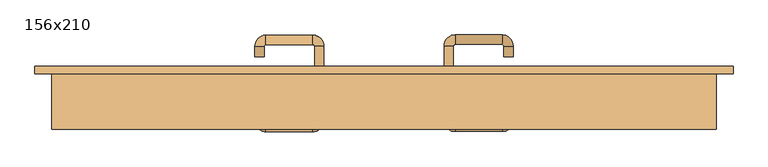
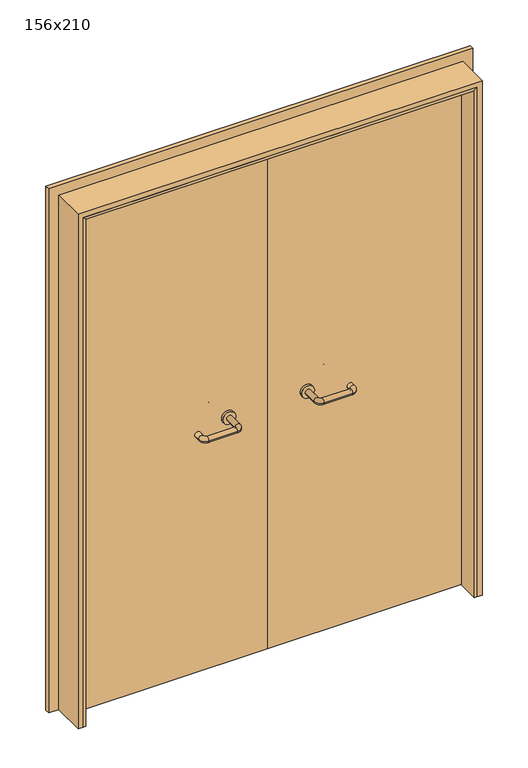
"""IFC4 building model written with IfcOpenShell, lengths in millimetres: door geometry, 156x210."""

from ifc_helpers import new_model, si_unit, point, frame, frame_2d, origin, place, context, project, spatial, polyline, circle_curve, ellipse_curve, trimmed, segment, composite_curve, outline, extrude, faceted_brep, source, transform, mapped, element, save
from ifc_brep_helpers import plane_surface, cylinder_surface, revolved_surface, advanced_brep


def door_156x210_3d4cb755(model_context):
    return source(origin(), model_context, "Body", "SolidModel", [
        faceted_brep([(-750.0, 118.0, 0.0), (-750.0, 35.0, 0.0), (-760.0, 35.0, 0.0), (-760.0, 118.0, 0.0), (-750.0, 118.0, 2070.0), (-750.0, 35.0, 2070.0), (-760.0, 35.0, 2080.0), (-760.0, 118.0, 2080.0), (750.0, 118.0, 0.0), (760.0, 118.0, 0.0), (760.0, 35.0, 0.0), (750.0, 35.0, 0.0), (750.0, 118.0, 2070.0), (760.0, 118.0, 2080.0), (760.0, 35.0, 2080.0), (750.0, 35.0, 2070.0)], [[[0, 1, 2, 3]], [[1, 0, 4, 5]], [[2, 1, 5, 6]], [[3, 2, 6, 7]], [[0, 3, 7, 4]], [[8, 9, 10, 11]], [[12, 13, 9, 8]], [[13, 14, 10, 9]], [[14, 15, 11, 10]], [[15, 12, 8, 11]], [[5, 4, 12, 15]], [[6, 5, 15, 14]], [[7, 6, 14, 13]], [[4, 7, 13, 12]]]),
        extrude(outline(polyline([(2139.0, 819.0), (2139.0, -819.0), (0.0, -819.0), (0.0, -775.0), (2095.0, -775.0), (2095.0, 775.0), (0.0, 775.0), (0.0, 819.0), (2139.0, 819.0)])), frame((0.0, 165.0, 0.0), z_axis=(0.0, 1.0, 0.0), x_axis=(0.0, 0.0, 1.0)), (0.0, 0.0, 1.0), 18.0),
        extrude(outline(polyline([(2100.0, -780.0), (0.0, -780.0), (0.0, -760.0), (2080.0, -760.0), (2080.0, 760.0), (0.0, 760.0), (0.0, 780.0), (2100.0, 780.0), (2100.0, -780.0)])), frame((0.0, 35.0, 0.0), z_axis=(0.0, 1.0, 0.0), x_axis=(0.0, 0.0, 1.0)), (0.0, 0.0, 1.0), 130.0),
        advanced_brep(
        [(140.99898, 111.0, 1003.0), (162.99898, 111.0, 1003.0), (140.99898, 55.6474631, 1003.0), (162.99898, 55.6474631, 1003.0), (166.99898, 51.6474631, 1003.0), (166.99898, 29.6474631, 1003.0), (276.99898, 29.6474631, 1003.0), (276.99898, 51.6474631, 1003.0), (280.99898, 55.6474631, 1003.0), (302.99898, 55.6474631, 1003.0), (302.99898, 73.0, 1003.0), (280.99898, 73.0, 1003.0)],
        [
            (0, 1, circle_curve(frame((151.99898, 111.0, 1003.0), z_axis=(0.0, 1.0, 0.0), x_axis=(1.0, 0.0, 0.0)), 11.0)),
            (1, 0, circle_curve(frame((151.99898, 111.0, 1003.0), z_axis=(0.0, 1.0, 0.0), x_axis=(1.0, 0.0, 0.0)), 11.0)),
            (0, 2),
            (2, 3, circle_curve(frame((151.99898, 55.6474631, 1003.0), z_axis=(0.0, 1.0, 0.0), x_axis=(1.0, 0.0, 0.0)), 11.0)),
            (3, 1),
            (3, 2, circle_curve(frame((151.99898, 55.6474631, 1003.0), z_axis=(0.0, 1.0, 0.0), x_axis=(1.0, 0.0, 0.0)), 11.0)),
            (4, 3, circle_curve(frame((166.99898, 55.6474631, 1003.0), z_axis=(0.0, 0.0, -1.0), x_axis=(-1.0, 0.0, 0.0)), 4.0)),
            (2, 5, circle_curve(frame((166.99898, 55.6474631, 1003.0), z_axis=(0.0, 0.0, 1.0), x_axis=(-1.0, 0.0, 0.0)), 26.0)),
            (5, 4, circle_curve(frame((166.99898, 40.6474631, 1003.0), z_axis=(-1.0, 0.0, 0.0), x_axis=(0.0, 1.0, 0.0)), 11.0)),
            (4, 5, circle_curve(frame((166.99898, 40.6474631, 1003.0), z_axis=(-1.0, 0.0, 0.0), x_axis=(0.0, 1.0, 0.0)), 11.0)),
            (5, 6),
            (6, 7, circle_curve(frame((276.99898, 40.6474631, 1003.0), z_axis=(-1.0, 0.0, 0.0), x_axis=(0.0, 1.0, 0.0)), 11.0)),
            (7, 4),
            (7, 6, circle_curve(frame((276.99898, 40.6474631, 1003.0), z_axis=(-1.0, 0.0, 0.0), x_axis=(0.0, 1.0, 0.0)), 11.0)),
            (8, 7, circle_curve(frame((276.99898, 55.6474631, 1003.0), z_axis=(0.0, 0.0, -1.0), x_axis=(0.0, -1.0, 0.0)), 4.0)),
            (6, 9, circle_curve(frame((276.99898, 55.6474631, 1003.0), z_axis=(0.0, 0.0, 1.0), x_axis=(0.0, -1.0, 0.0)), 26.0)),
            (9, 8, circle_curve(frame((291.99898, 55.6474631, 1003.0), z_axis=(0.0, -1.0, 0.0), x_axis=(-1.0, 0.0, 0.0)), 11.0)),
            (8, 9, circle_curve(frame((291.99898, 55.6474631, 1003.0), z_axis=(0.0, -1.0, 0.0), x_axis=(-1.0, 0.0, 0.0)), 11.0)),
            (10, 11, circle_curve(frame((291.99898, 73.0, 1003.0), z_axis=(0.0, 1.0, 0.0), x_axis=(-1.0, 0.0, 0.0)), 11.0)),
            (11, 10, circle_curve(frame((291.99898, 73.0, 1003.0), z_axis=(0.0, 1.0, 0.0), x_axis=(-1.0, 0.0, 0.0)), 11.0)),
            (9, 10),
            (11, 8),
        ],
        [
            plane_surface(frame((140.99898, 111.0, 1003.0), z_axis=(0.0, 1.0, 0.0), x_axis=(0.0, 0.0, -1.0))),
            cylinder_surface(frame((151.99898, 111.0, 1003.0), z_axis=(0.0, 1.0, 0.0), x_axis=(1.0, 0.0, 0.0)), 11.0),
            revolved_surface(trimmed(ellipse_curve(frame((151.99898, 55.6474631, 1003.0), z_axis=(0.0, 1.0, 0.0), x_axis=(1.0, 0.0, 0.0)), 11.0, 11.0), [point((140.99898, 55.6474631, 1003.0))], [point((162.99898, 55.6474631, 1003.0))], True, "CARTESIAN"), (166.99898, 55.6474631, 1003.0), (0.0, 0.0, 1.0)),
            revolved_surface(trimmed(ellipse_curve(frame((151.99898, 55.6474631, 1003.0), z_axis=(0.0, 1.0, 0.0), x_axis=(1.0, 0.0, 0.0)), 11.0, 11.0), [point((162.99898, 55.6474631, 1003.0))], [point((140.99898, 55.6474631, 1003.0))], True, "CARTESIAN"), (166.99898, 55.6474631, 1003.0), (0.0, 0.0, 1.0)),
            cylinder_surface(frame((166.99898, 40.6474631, 1003.0), z_axis=(-1.0, 0.0, 0.0), x_axis=(0.0, 1.0, 0.0)), 11.0),
            revolved_surface(trimmed(ellipse_curve(frame((276.99898, 40.6474631, 1003.0), z_axis=(-1.0, 0.0, 0.0), x_axis=(0.0, 1.0, 0.0)), 11.0, 11.0), [point((276.99898, 29.6474631, 1003.0))], [point((276.99898, 51.6474631, 1003.0))], True, "CARTESIAN"), (276.99898, 55.6474631, 1003.0), (0.0, 0.0, 1.0)),
            revolved_surface(trimmed(ellipse_curve(frame((276.99898, 40.6474631, 1003.0), z_axis=(-1.0, 0.0, 0.0), x_axis=(0.0, 1.0, 0.0)), 11.0, 11.0), [point((276.99898, 51.6474631, 1003.0))], [point((276.99898, 29.6474631, 1003.0))], True, "CARTESIAN"), (276.99898, 55.6474631, 1003.0), (0.0, 0.0, 1.0)),
            plane_surface(frame((280.99898, 73.0, 1003.0), z_axis=(0.0, 1.0, 0.0), x_axis=(0.0, 0.0, 1.0))),
            cylinder_surface(frame((291.99898, 55.6474631, 1003.0), z_axis=(0.0, -1.0, 0.0), x_axis=(-1.0, 0.0, 0.0)), 11.0),
        ],
        [
            (0, [[1, 2]]),
            (1, [[-1, 3, 4, 5]]),
            (1, [[-2, -5, 6, -3]]),
            (2, [[7, -4, 8, 9]]),
            (3, [[-8, -6, -7, 10]]),
            (4, [[-9, 11, 12, 13]]),
            (4, [[-10, -13, 14, -11]]),
            (5, [[15, -12, 16, 17]]),
            (6, [[-16, -14, -15, 18]]),
            (7, [[19, 20]]),
            (8, [[-17, 21, -20, 22]]),
            (8, [[-18, -22, -19, -21]]),
        ],
    ),
        extrude(outline(composite_curve([segment(trimmed(circle_curve(frame_2d((1003.0, 151.99898)), 25.0), [point((1003.0, 126.99898))], [point((1003.0, 176.99898))], False, "CARTESIAN"), True, "CONTINUOUS"), segment(trimmed(circle_curve(frame_2d((1003.0, 151.99898)), 25.0), [point((1003.0, 176.99898))], [point((1003.0, 126.99898))], False, "CARTESIAN"), True, "CONTINUOUS")], self_intersect=False)), frame((0.0, 111.0, 0.0), z_axis=(0.0, 1.0, 0.0), x_axis=(0.0, 0.0, 1.0)), (0.0, 0.0, 1.0), 10.0),
        advanced_brep(
        [(162.99898, 175.0, 1003.0), (140.99898, 175.0, 1003.0), (162.99898, 230.0, 1003.0), (140.99898, 230.0, 1003.0), (166.99898, 256.0, 1003.0), (166.99898, 234.0, 1003.0), (276.99898, 234.0, 1003.0), (276.99898, 256.0, 1003.0), (302.99898, 230.0, 1003.0), (280.99898, 230.0, 1003.0), (280.99898, 205.0, 1003.0), (302.99898, 205.0, 1003.0)],
        [
            (0, 1, circle_curve(frame((151.99898, 175.0, 1003.0), z_axis=(0.0, -1.0, 0.0), x_axis=(-1.0, 0.0, 0.0)), 11.0)),
            (1, 0, circle_curve(frame((151.99898, 175.0, 1003.0), z_axis=(0.0, -1.0, 0.0), x_axis=(-1.0, 0.0, 0.0)), 11.0)),
            (0, 2),
            (2, 3, circle_curve(frame((151.99898, 230.0, 1003.0), z_axis=(0.0, -1.0, 0.0), x_axis=(-1.0, 0.0, 0.0)), 11.0)),
            (3, 1),
            (3, 2, circle_curve(frame((151.99898, 230.0, 1003.0), z_axis=(0.0, -1.0, 0.0), x_axis=(-1.0, 0.0, 0.0)), 11.0)),
            (4, 3, circle_curve(frame((166.99898, 230.0, 1003.0), z_axis=(0.0, 0.0, 1.0), x_axis=(-1.0, 0.0, 0.0)), 26.0)),
            (2, 5, circle_curve(frame((166.99898, 230.0, 1003.0), z_axis=(0.0, 0.0, -1.0), x_axis=(-1.0, 0.0, 0.0)), 4.0)),
            (5, 4, circle_curve(frame((166.99898, 245.0, 1003.0), z_axis=(-1.0, 0.0, 0.0), x_axis=(0.0, 1.0, 0.0)), 11.0)),
            (4, 5, circle_curve(frame((166.99898, 245.0, 1003.0), z_axis=(-1.0, 0.0, 0.0), x_axis=(0.0, 1.0, 0.0)), 11.0)),
            (5, 6),
            (6, 7, circle_curve(frame((276.99898, 245.0, 1003.0), z_axis=(-1.0, 0.0, 0.0), x_axis=(0.0, 1.0, 0.0)), 11.0)),
            (7, 4),
            (7, 6, circle_curve(frame((276.99898, 245.0, 1003.0), z_axis=(-1.0, 0.0, 0.0), x_axis=(0.0, 1.0, 0.0)), 11.0)),
            (8, 7, circle_curve(frame((276.99898, 230.0, 1003.0), z_axis=(0.0, 0.0, 1.0), x_axis=(0.0, 1.0, 0.0)), 26.0)),
            (6, 9, circle_curve(frame((276.99898, 230.0, 1003.0), z_axis=(0.0, 0.0, -1.0), x_axis=(0.0, 1.0, 0.0)), 4.0)),
            (9, 8, circle_curve(frame((291.99898, 230.0, 1003.0), z_axis=(0.0, 1.0, 0.0), x_axis=(1.0, 0.0, 0.0)), 11.0)),
            (8, 9, circle_curve(frame((291.99898, 230.0, 1003.0), z_axis=(0.0, 1.0, 0.0), x_axis=(1.0, 0.0, 0.0)), 11.0)),
            (10, 11, circle_curve(frame((291.99898, 205.0, 1003.0), z_axis=(0.0, -1.0, 0.0), x_axis=(1.0, 0.0, 0.0)), 11.0)),
            (11, 10, circle_curve(frame((291.99898, 205.0, 1003.0), z_axis=(0.0, -1.0, 0.0), x_axis=(1.0, 0.0, 0.0)), 11.0)),
            (9, 10),
            (11, 8),
        ],
        [
            plane_surface(frame((140.99898, 175.0, 1003.0), z_axis=(0.0, -1.0, 0.0), x_axis=(0.0, 0.0, 1.0))),
            cylinder_surface(frame((151.99898, 175.0, 1003.0), z_axis=(0.0, -1.0, 0.0), x_axis=(-1.0, 0.0, 0.0)), 11.0),
            revolved_surface(trimmed(ellipse_curve(frame((151.99898, 230.0, 1003.0), z_axis=(0.0, -1.0, 0.0), x_axis=(-1.0, 0.0, 0.0)), 11.0, 11.0), [point((162.99898, 230.0, 1003.0))], [point((140.99898, 230.0, 1003.0))], True, "CARTESIAN"), (166.99898, 230.0, 1003.0), (0.0, 0.0, -1.0)),
            revolved_surface(trimmed(ellipse_curve(frame((151.99898, 230.0, 1003.0), z_axis=(0.0, -1.0, 0.0), x_axis=(-1.0, 0.0, 0.0)), 11.0, 11.0), [point((140.99898, 230.0, 1003.0))], [point((162.99898, 230.0, 1003.0))], True, "CARTESIAN"), (166.99898, 230.0, 1003.0), (0.0, 0.0, -1.0)),
            cylinder_surface(frame((166.99898, 245.0, 1003.0), z_axis=(-1.0, 0.0, 0.0), x_axis=(0.0, 1.0, 0.0)), 11.0),
            revolved_surface(trimmed(ellipse_curve(frame((276.99898, 245.0, 1003.0), z_axis=(-1.0, 0.0, 0.0), x_axis=(0.0, 1.0, 0.0)), 11.0, 11.0), [point((276.99898, 234.0, 1003.0))], [point((276.99898, 256.0, 1003.0))], True, "CARTESIAN"), (276.99898, 230.0, 1003.0), (0.0, 0.0, -1.0)),
            revolved_surface(trimmed(ellipse_curve(frame((276.99898, 245.0, 1003.0), z_axis=(-1.0, 0.0, 0.0), x_axis=(0.0, 1.0, 0.0)), 11.0, 11.0), [point((276.99898, 256.0, 1003.0))], [point((276.99898, 234.0, 1003.0))], True, "CARTESIAN"), (276.99898, 230.0, 1003.0), (0.0, 0.0, -1.0)),
            plane_surface(frame((280.99898, 205.0, 1003.0), z_axis=(0.0, -1.0, 0.0), x_axis=(0.0, 0.0, -1.0))),
            cylinder_surface(frame((291.99898, 230.0, 1003.0), z_axis=(0.0, 1.0, 0.0), x_axis=(1.0, 0.0, 0.0)), 11.0),
        ],
        [
            (0, [[1, 2]]),
            (1, [[-1, 3, 4, 5]]),
            (1, [[-2, -5, 6, -3]]),
            (2, [[7, -4, 8, 9]]),
            (3, [[-8, -6, -7, 10]]),
            (4, [[-9, 11, 12, 13]]),
            (4, [[-10, -13, 14, -11]]),
            (5, [[15, -12, 16, 17]]),
            (6, [[-16, -14, -15, 18]]),
            (7, [[19, 20]]),
            (8, [[-17, 21, -20, 22]]),
            (8, [[-18, -22, -19, -21]]),
        ],
    ),
        extrude(outline(composite_curve([segment(trimmed(circle_curve(frame_2d((1003.0, 151.99898)), 25.0), [point((1003.0, 176.99898))], [point((1003.0, 126.99898))], False, "CARTESIAN"), True, "CONTINUOUS"), segment(trimmed(circle_curve(frame_2d((1003.0, 151.99898)), 25.0), [point((1003.0, 126.99898))], [point((1003.0, 176.99898))], False, "CARTESIAN"), True, "CONTINUOUS")], self_intersect=False)), frame((0.0, 165.0, 0.0), z_axis=(0.0, 1.0, 0.0), x_axis=(0.0, 0.0, 1.0)), (0.0, 0.0, 1.0), 10.0),
        advanced_brep(
        [(-162.99898, 110.6886121, 1003.0), (-140.99898, 110.6886121, 1003.0), (-162.99898, 55.2779553, 1003.0), (-140.99898, 55.2779553, 1003.0), (-166.99898, 29.2779553, 1003.0), (-166.99898, 51.2779553, 1003.0), (-276.99898, 51.2779553, 1003.0), (-276.99898, 29.2779553, 1003.0), (-302.99898, 55.2779553, 1003.0), (-280.99898, 55.2779553, 1003.0), (-280.99898, 80.2779553, 1003.0), (-302.99898, 80.2779553, 1003.0)],
        [
            (0, 1, circle_curve(frame((-151.99898, 110.6886121, 1003.0), z_axis=(0.0, 1.0, 0.0), x_axis=(1.0, 0.0, 0.0)), 11.0)),
            (1, 0, circle_curve(frame((-151.99898, 110.6886121, 1003.0), z_axis=(0.0, 1.0, 0.0), x_axis=(1.0, 0.0, 0.0)), 11.0)),
            (0, 2),
            (2, 3, circle_curve(frame((-151.99898, 55.2779553, 1003.0), z_axis=(0.0, 1.0, 0.0), x_axis=(1.0, 0.0, 0.0)), 11.0)),
            (3, 1),
            (3, 2, circle_curve(frame((-151.99898, 55.2779553, 1003.0), z_axis=(0.0, 1.0, 0.0), x_axis=(1.0, 0.0, 0.0)), 11.0)),
            (4, 3, circle_curve(frame((-166.99898, 55.2779553, 1003.0), z_axis=(0.0, 0.0, 1.0), x_axis=(1.0, 0.0, 0.0)), 26.0)),
            (2, 5, circle_curve(frame((-166.99898, 55.2779553, 1003.0), z_axis=(0.0, 0.0, -1.0), x_axis=(1.0, 0.0, 0.0)), 4.0)),
            (5, 4, circle_curve(frame((-166.99898, 40.2779553, 1003.0), z_axis=(1.0, 0.0, 0.0), x_axis=(0.0, -1.0, 0.0)), 11.0)),
            (4, 5, circle_curve(frame((-166.99898, 40.2779553, 1003.0), z_axis=(1.0, 0.0, 0.0), x_axis=(0.0, -1.0, 0.0)), 11.0)),
            (5, 6),
            (6, 7, circle_curve(frame((-276.99898, 40.2779553, 1003.0), z_axis=(1.0, 0.0, 0.0), x_axis=(0.0, -1.0, 0.0)), 11.0)),
            (7, 4),
            (7, 6, circle_curve(frame((-276.99898, 40.2779553, 1003.0), z_axis=(1.0, 0.0, 0.0), x_axis=(0.0, -1.0, 0.0)), 11.0)),
            (8, 7, circle_curve(frame((-276.99898, 55.2779553, 1003.0), z_axis=(0.0, 0.0, 1.0), x_axis=(0.0, -1.0, 0.0)), 26.0)),
            (6, 9, circle_curve(frame((-276.99898, 55.2779553, 1003.0), z_axis=(0.0, 0.0, -1.0), x_axis=(0.0, -1.0, 0.0)), 4.0)),
            (9, 8, circle_curve(frame((-291.99898, 55.2779553, 1003.0), z_axis=(0.0, -1.0, 0.0), x_axis=(-1.0, 0.0, 0.0)), 11.0)),
            (8, 9, circle_curve(frame((-291.99898, 55.2779553, 1003.0), z_axis=(0.0, -1.0, 0.0), x_axis=(-1.0, 0.0, 0.0)), 11.0)),
            (10, 11, circle_curve(frame((-291.99898, 80.2779553, 1003.0), z_axis=(0.0, 1.0, 0.0), x_axis=(-1.0, 0.0, 0.0)), 11.0)),
            (11, 10, circle_curve(frame((-291.99898, 80.2779553, 1003.0), z_axis=(0.0, 1.0, 0.0), x_axis=(-1.0, 0.0, 0.0)), 11.0)),
            (9, 10),
            (11, 8),
        ],
        [
            plane_surface(frame((-162.99898, 110.6886121, 1003.0), z_axis=(0.0, 1.0, 0.0), x_axis=(0.0, 0.0, -1.0))),
            cylinder_surface(frame((-151.99898, 110.6886121, 1003.0), z_axis=(0.0, 1.0, 0.0), x_axis=(1.0, 0.0, 0.0)), 11.0),
            revolved_surface(trimmed(ellipse_curve(frame((-151.99898, 55.2779553, 1003.0), z_axis=(0.0, 1.0, 0.0), x_axis=(1.0, 0.0, 0.0)), 11.0, 11.0), [point((-162.99898, 55.2779553, 1003.0))], [point((-140.99898, 55.2779553, 1003.0))], True, "CARTESIAN"), (-166.99898, 55.2779553, 1003.0), (0.0, 0.0, -1.0)),
            revolved_surface(trimmed(ellipse_curve(frame((-151.99898, 55.2779553, 1003.0), z_axis=(0.0, 1.0, 0.0), x_axis=(1.0, 0.0, 0.0)), 11.0, 11.0), [point((-140.99898, 55.2779553, 1003.0))], [point((-162.99898, 55.2779553, 1003.0))], True, "CARTESIAN"), (-166.99898, 55.2779553, 1003.0), (0.0, 0.0, -1.0)),
            cylinder_surface(frame((-166.99898, 40.2779553, 1003.0), z_axis=(1.0, 0.0, 0.0), x_axis=(0.0, -1.0, 0.0)), 11.0),
            revolved_surface(trimmed(ellipse_curve(frame((-276.99898, 40.2779553, 1003.0), z_axis=(1.0, 0.0, 0.0), x_axis=(0.0, -1.0, 0.0)), 11.0, 11.0), [point((-276.99898, 51.2779553, 1003.0))], [point((-276.99898, 29.2779553, 1003.0))], True, "CARTESIAN"), (-276.99898, 55.2779553, 1003.0), (0.0, 0.0, -1.0)),
            revolved_surface(trimmed(ellipse_curve(frame((-276.99898, 40.2779553, 1003.0), z_axis=(1.0, 0.0, 0.0), x_axis=(0.0, -1.0, 0.0)), 11.0, 11.0), [point((-276.99898, 29.2779553, 1003.0))], [point((-276.99898, 51.2779553, 1003.0))], True, "CARTESIAN"), (-276.99898, 55.2779553, 1003.0), (0.0, 0.0, -1.0)),
            plane_surface(frame((-302.99898, 80.2779553, 1003.0), z_axis=(0.0, 1.0, 0.0), x_axis=(0.0, 0.0, 1.0))),
            cylinder_surface(frame((-291.99898, 55.2779553, 1003.0), z_axis=(0.0, -1.0, 0.0), x_axis=(-1.0, 0.0, 0.0)), 11.0),
        ],
        [
            (0, [[1, 2]]),
            (1, [[-1, 3, 4, 5]]),
            (1, [[-2, -5, 6, -3]]),
            (2, [[7, -4, 8, 9]]),
            (3, [[-8, -6, -7, 10]]),
            (4, [[-9, 11, 12, 13]]),
            (4, [[-10, -13, 14, -11]]),
            (5, [[15, -12, 16, 17]]),
            (6, [[-16, -14, -15, 18]]),
            (7, [[19, 20]]),
            (8, [[-17, 21, -20, 22]]),
            (8, [[-18, -22, -19, -21]]),
        ],
    ),
        extrude(outline(composite_curve([segment(trimmed(circle_curve(frame_2d((1003.0, -151.99898)), 25.0), [point((1003.0, -176.99898))], [point((1003.0, -126.99898))], False, "CARTESIAN"), True, "CONTINUOUS"), segment(trimmed(circle_curve(frame_2d((1003.0, -151.99898)), 25.0), [point((1003.0, -126.99898))], [point((1003.0, -176.99898))], False, "CARTESIAN"), True, "CONTINUOUS")], self_intersect=False)), frame((0.0, 110.6886121, 0.0), z_axis=(0.0, 1.0, 0.0), x_axis=(0.0, 0.0, 1.0)), (0.0, 0.0, 1.0), 10.3113879),
        advanced_brep(
        [(-140.99898, 174.5143417, 1003.0), (-162.99898, 174.5143417, 1003.0), (-140.99898, 229.6104656, 1003.0), (-162.99898, 229.6104656, 1003.0), (-166.99898, 233.6104656, 1003.0), (-166.99898, 255.6104656, 1003.0), (-276.99898, 255.6104656, 1003.0), (-276.99898, 233.6104656, 1003.0), (-280.99898, 229.6104656, 1003.0), (-302.99898, 229.6104656, 1003.0), (-302.99898, 204.6104656, 1003.0), (-280.99898, 204.6104656, 1003.0)],
        [
            (0, 1, circle_curve(frame((-151.99898, 174.5143417, 1003.0), z_axis=(0.0, -1.0, 0.0), x_axis=(-1.0, 0.0, 0.0)), 11.0)),
            (1, 0, circle_curve(frame((-151.99898, 174.5143417, 1003.0), z_axis=(0.0, -1.0, 0.0), x_axis=(-1.0, 0.0, 0.0)), 11.0)),
            (0, 2),
            (2, 3, circle_curve(frame((-151.99898, 229.6104656, 1003.0), z_axis=(0.0, -1.0, 0.0), x_axis=(-1.0, 0.0, 0.0)), 11.0)),
            (3, 1),
            (3, 2, circle_curve(frame((-151.99898, 229.6104656, 1003.0), z_axis=(0.0, -1.0, 0.0), x_axis=(-1.0, 0.0, 0.0)), 11.0)),
            (4, 3, circle_curve(frame((-166.99898, 229.6104656, 1003.0), z_axis=(0.0, 0.0, -1.0), x_axis=(1.0, 0.0, 0.0)), 4.0)),
            (2, 5, circle_curve(frame((-166.99898, 229.6104656, 1003.0), z_axis=(0.0, 0.0, 1.0), x_axis=(1.0, 0.0, 0.0)), 26.0)),
            (5, 4, circle_curve(frame((-166.99898, 244.6104656, 1003.0), z_axis=(1.0, 0.0, 0.0), x_axis=(0.0, -1.0, 0.0)), 11.0)),
            (4, 5, circle_curve(frame((-166.99898, 244.6104656, 1003.0), z_axis=(1.0, 0.0, 0.0), x_axis=(0.0, -1.0, 0.0)), 11.0)),
            (5, 6),
            (6, 7, circle_curve(frame((-276.99898, 244.6104656, 1003.0), z_axis=(1.0, 0.0, 0.0), x_axis=(0.0, -1.0, 0.0)), 11.0)),
            (7, 4),
            (7, 6, circle_curve(frame((-276.99898, 244.6104656, 1003.0), z_axis=(1.0, 0.0, 0.0), x_axis=(0.0, -1.0, 0.0)), 11.0)),
            (8, 7, circle_curve(frame((-276.99898, 229.6104656, 1003.0), z_axis=(0.0, 0.0, -1.0), x_axis=(0.0, 1.0, 0.0)), 4.0)),
            (6, 9, circle_curve(frame((-276.99898, 229.6104656, 1003.0), z_axis=(0.0, 0.0, 1.0), x_axis=(0.0, 1.0, 0.0)), 26.0)),
            (9, 8, circle_curve(frame((-291.99898, 229.6104656, 1003.0), z_axis=(0.0, 1.0, 0.0), x_axis=(1.0, 0.0, 0.0)), 11.0)),
            (8, 9, circle_curve(frame((-291.99898, 229.6104656, 1003.0), z_axis=(0.0, 1.0, 0.0), x_axis=(1.0, 0.0, 0.0)), 11.0)),
            (10, 11, circle_curve(frame((-291.99898, 204.6104656, 1003.0), z_axis=(0.0, -1.0, 0.0), x_axis=(1.0, 0.0, 0.0)), 11.0)),
            (11, 10, circle_curve(frame((-291.99898, 204.6104656, 1003.0), z_axis=(0.0, -1.0, 0.0), x_axis=(1.0, 0.0, 0.0)), 11.0)),
            (9, 10),
            (11, 8),
        ],
        [
            plane_surface(frame((-162.99898, 174.5143417, 1003.0), z_axis=(0.0, -1.0, 0.0), x_axis=(0.0, 0.0, 1.0))),
            cylinder_surface(frame((-151.99898, 174.5143417, 1003.0), z_axis=(0.0, -1.0, 0.0), x_axis=(-1.0, 0.0, 0.0)), 11.0),
            revolved_surface(trimmed(ellipse_curve(frame((-151.99898, 229.6104656, 1003.0), z_axis=(0.0, -1.0, 0.0), x_axis=(-1.0, 0.0, 0.0)), 11.0, 11.0), [point((-140.99898, 229.6104656, 1003.0))], [point((-162.99898, 229.6104656, 1003.0))], True, "CARTESIAN"), (-166.99898, 229.6104656, 1003.0), (0.0, 0.0, 1.0)),
            revolved_surface(trimmed(ellipse_curve(frame((-151.99898, 229.6104656, 1003.0), z_axis=(0.0, -1.0, 0.0), x_axis=(-1.0, 0.0, 0.0)), 11.0, 11.0), [point((-162.99898, 229.6104656, 1003.0))], [point((-140.99898, 229.6104656, 1003.0))], True, "CARTESIAN"), (-166.99898, 229.6104656, 1003.0), (0.0, 0.0, 1.0)),
            cylinder_surface(frame((-166.99898, 244.6104656, 1003.0), z_axis=(1.0, 0.0, 0.0), x_axis=(0.0, -1.0, 0.0)), 11.0),
            revolved_surface(trimmed(ellipse_curve(frame((-276.99898, 244.6104656, 1003.0), z_axis=(1.0, 0.0, 0.0), x_axis=(0.0, -1.0, 0.0)), 11.0, 11.0), [point((-276.99898, 255.6104656, 1003.0))], [point((-276.99898, 233.6104656, 1003.0))], True, "CARTESIAN"), (-276.99898, 229.6104656, 1003.0), (0.0, 0.0, 1.0)),
            revolved_surface(trimmed(ellipse_curve(frame((-276.99898, 244.6104656, 1003.0), z_axis=(1.0, 0.0, 0.0), x_axis=(0.0, -1.0, 0.0)), 11.0, 11.0), [point((-276.99898, 233.6104656, 1003.0))], [point((-276.99898, 255.6104656, 1003.0))], True, "CARTESIAN"), (-276.99898, 229.6104656, 1003.0), (0.0, 0.0, 1.0)),
            plane_surface(frame((-302.99898, 204.6104656, 1003.0), z_axis=(0.0, -1.0, 0.0), x_axis=(0.0, 0.0, -1.0))),
            cylinder_surface(frame((-291.99898, 229.6104656, 1003.0), z_axis=(0.0, 1.0, 0.0), x_axis=(1.0, 0.0, 0.0)), 11.0),
        ],
        [
            (0, [[1, 2]]),
            (1, [[-1, 3, 4, 5]]),
            (1, [[-2, -5, 6, -3]]),
            (2, [[7, -4, 8, 9]]),
            (3, [[-8, -6, -7, 10]]),
            (4, [[-9, 11, 12, 13]]),
            (4, [[-10, -13, 14, -11]]),
            (5, [[15, -12, 16, 17]]),
            (6, [[-16, -14, -15, 18]]),
            (7, [[19, 20]]),
            (8, [[-17, 21, -20, 22]]),
            (8, [[-18, -22, -19, -21]]),
        ],
    ),
        extrude(outline(composite_curve([segment(trimmed(circle_curve(frame_2d((1003.0, -151.99898)), 25.0), [point((1003.0, -126.99898))], [point((1003.0, -176.99898))], False, "CARTESIAN"), True, "CONTINUOUS"), segment(trimmed(circle_curve(frame_2d((1003.0, -151.99898)), 25.0), [point((1003.0, -176.99898))], [point((1003.0, -126.99898))], False, "CARTESIAN"), True, "CONTINUOUS")], self_intersect=False)), frame((0.0, 165.0, 0.0), z_axis=(0.0, 1.0, 0.0), x_axis=(0.0, 0.0, 1.0)), (0.0, 0.0, 1.0), 9.5143417),
        extrude(outline(polyline([(1.0739506, 121.0), (-757.0, 121.0), (-757.0, 165.0), (1.0739506, 165.0), (1.0739506, 121.0)])), frame((0.0, 0.0, 1.753223), z_axis=(0.0, 0.0, 1.0), x_axis=(1.0, 0.0, 0.0)), (0.0, 0.0, 1.0), 2078.246777),
        extrude(outline(polyline([(757.0, 121.0), (1.0739506, 121.0), (1.0739506, 165.0), (757.0, 165.0), (757.0, 121.0)])), frame((0.0, 0.0, 1.753223), z_axis=(0.0, 0.0, 1.0), x_axis=(1.0, 0.0, 0.0)), (0.0, 0.0, 1.0), 2078.246777),
    ])


if __name__ == "__main__":
    model = new_model("IFC4")
    model_context = context("Model", 3, world=origin())
    ifc_project = project(units=[si_unit("LENGTHUNIT", "METRE", prefix="MILLI")], contexts=[model_context])
    site = spatial("IfcSite", under=ifc_project)
    building = spatial("IfcBuilding", under=site)
    placement = place(None, origin())
    door_156x210_shape = door_156x210_3d4cb755(model_context)
    element("IfcDoor", 1, ObjectType="156x210", at=placement, inside=building, context=model_context, shape_type="MappedRepresentation", body=[
        mapped(door_156x210_shape, transform((0.0, 0.0, 0.0), x_axis=(1.0, 0.0, 0.0), y_axis=(0.0, 1.0, 0.0), z_axis=(0.0, 0.0, 1.0))),
    ])
    save(model, "model.ifc")
